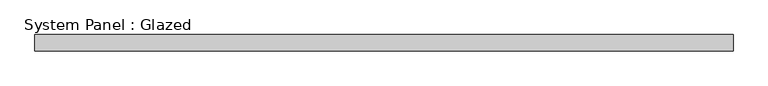
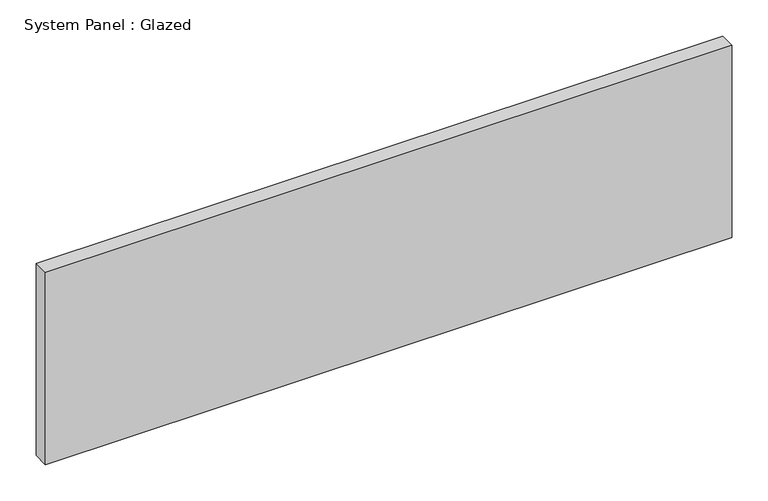
"""IFC4 building model written with IfcOpenShell, lengths in millimetres: plate geometry, System Panel : Glazed."""

from ifc_helpers import new_model, si_unit, origin, origin_with_axes, place, context, project, spatial, polyline, outline, extrude, source, transform, mapped, element, save


def system_panel_glazed_6e3f7ad3(model_context):
    return source(origin(), model_context, "Body", "SweptSolid", [
        extrude(outline(polyline([(546.1, 19.05), (-546.1, 19.05), (-546.1, 44.45), (546.1, 44.45), (546.1, 19.05)])), origin_with_axes(), (0.0, 0.0, 1.0), 323.85),
    ])


if __name__ == "__main__":
    model = new_model("IFC4")
    model_context = context("Model", 3, world=origin())
    ifc_project = project(units=[si_unit("LENGTHUNIT", "METRE", prefix="MILLI")], contexts=[model_context])
    site = spatial("IfcSite", under=ifc_project)
    building = spatial("IfcBuilding", under=site)
    placement = place(None, origin())
    system_panel_glazed_shape = system_panel_glazed_6e3f7ad3(model_context)
    element("IfcPlate", 1, ObjectType="System Panel : Glazed", at=placement, inside=building, context=model_context, shape_type="MappedRepresentation", body=[
        mapped(system_panel_glazed_shape, transform((0.0, 0.0, 0.0), x_axis=(1.0, 0.0, 0.0), y_axis=(0.0, 1.0, 0.0), z_axis=(0.0, 0.0, 1.0))),
    ])
    save(model, "model.ifc")
